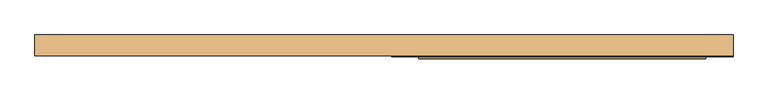
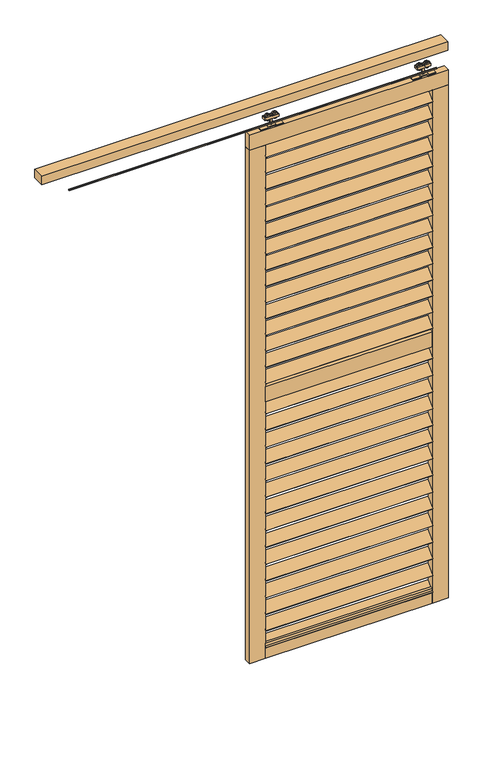
"""IFC4 building model written with IfcOpenShell, lengths in millimetres: door geometry."""

import ifcopenshell
import ifcopenshell.guid

model = None  # the IFC model being written
_history = None  # IfcOwnerHistory: only IFC2X3 demands one
_inside = {}  # id of a spatial element -> (the spatial element, [elements in it])
_under = {}  # id of a project, library or spatial element -> (it, [spatial elements below it])
_declared = {}  # id of a project -> (the project, [libraries it declares])
_typed = {}  # id of a type object -> (the type object, [elements of that type])
_made_of = {}  # id of a material, layer set ... -> (it, [elements and type objects made of it])


def new_model(schema):
    """Start an empty IFC model of exactly this schema.

    Asked for "IFC4X3", IfcOpenShell would pick the latest addendum, in which some entities
    have other attributes; the version numbers below select the first issue.
    IFC2X3 requires an IfcOwnerHistory on every rooted entity: one is made here for all.
    """
    global model, _history
    if schema == "IFC4X3":
        model = ifcopenshell.file(schema_version=(4, 3, 0, 0))
    else:
        model = ifcopenshell.file(schema=schema)
    _inside.clear()
    _under.clear()
    _declared.clear()
    _typed.clear()
    _made_of.clear()
    _history = None
    if model.schema == "IFC2X3":
        org = make("IfcOrganization", Name="unknown")
        user = make(
            "IfcPersonAndOrganization",
            ThePerson=make("IfcPerson", FamilyName="unknown"),
            TheOrganization=org,
        )
        app = make(
            "IfcApplication",
            ApplicationDeveloper=org,
            Version="unknown",
            ApplicationFullName="unknown",
            ApplicationIdentifier="unknown",
        )
        _history = make(
            "IfcOwnerHistory",
            OwningUser=user,
            OwningApplication=app,
            ChangeAction="ADDED",
            CreationDate=0,
        )
    return model


def make(cls, **values):
    """One entity of the class cls with the attributes given. An attribute that is None is left unset."""
    return model.create_entity(
        cls, **{name: value for name, value in values.items() if value is not None}
    )


def rooted(cls, **values):
    """An entity with a GlobalId (a new one), such as an element, a storey or a relation."""
    return make(cls, GlobalId=ifcopenshell.guid.new(), OwnerHistory=_history, **values)


def si_unit(unit_type, name, prefix=None):
    """IfcSIUnit, for example si_unit("LENGTHUNIT", "METRE", prefix="MILLI")."""
    return make("IfcSIUnit", UnitType=unit_type, Prefix=prefix, Name=name)


def assignment(units):
    """IfcUnitAssignment: the units of a project."""
    return None if units is None else make("IfcUnitAssignment", Units=units)


def point(xyz):
    """IfcCartesianPoint."""
    return None if xyz is None else make("IfcCartesianPoint", Coordinates=xyz)


def direction(xyz):
    """IfcDirection."""
    return None if xyz is None else make("IfcDirection", DirectionRatios=xyz)


def frame(location, z_axis=None, x_axis=None):
    """IfcAxis2Placement3D, a coordinate frame: its origin and axes. An axis left out is left unset."""
    return make(
        "IfcAxis2Placement3D",
        Location=point(location),
        Axis=direction(z_axis),
        RefDirection=direction(x_axis),
    )


def frame_2d(location, x_axis=None):
    """IfcAxis2Placement2D, a coordinate frame in the plane: its origin and x axis."""
    return make(
        "IfcAxis2Placement2D", Location=point(location), RefDirection=direction(x_axis)
    )


def origin():
    """The frame at (0, 0, 0) with its axes left unset."""
    return frame((0.0, 0.0, 0.0))


def place(relative_to, where):
    """IfcLocalPlacement: puts the frame where relative to a parent placement (None: the world)."""
    return make(
        "IfcLocalPlacement", PlacementRelTo=relative_to, RelativePlacement=where
    )


def context(
    kind, dimensions, precision=None, world=None, true_north=None, identifier=None
):
    """IfcGeometricRepresentationContext, for example the 3D "Model" context."""
    return make(
        "IfcGeometricRepresentationContext",
        ContextIdentifier=identifier,
        ContextType=kind,
        CoordinateSpaceDimension=dimensions,
        Precision=precision,
        WorldCoordinateSystem=world,
        TrueNorth=true_north,
    )


def project(units=None, contexts=None):
    """IfcProject with its units and contexts."""
    return rooted(
        "IfcProject",
        Name="project",
        RepresentationContexts=contexts,
        UnitsInContext=assignment(units),
    )


def spatial(cls, under=None, at=None, **own):
    """A site, building, storey or space (cls), placed at a placement, below another one or the project."""
    s = rooted(cls, ObjectPlacement=at, **own)
    if under is not None:
        _under.setdefault(under.id(), (under, []))[1].append(s)
    return s


def polyline(points):
    """IfcPolyline through the points."""
    return make("IfcPolyline", Points=[point(p) for p in points])


def circle_curve(where, radius):
    """IfcCircle in the frame where."""
    return make("IfcCircle", Position=where, Radius=radius)


def trimmed(basis, trim1, trim2, sense, master):
    """IfcTrimmedCurve: the piece of a basis curve between two trims."""
    return make(
        "IfcTrimmedCurve",
        BasisCurve=basis,
        Trim1=trim1,
        Trim2=trim2,
        SenseAgreement=sense,
        MasterRepresentation=master,
    )


def segment(curve, same_sense, transition):
    """IfcCompositeCurveSegment."""
    return make(
        "IfcCompositeCurveSegment",
        Transition=transition,
        SameSense=same_sense,
        ParentCurve=curve,
    )


def composite_curve(segments, self_intersect=None):
    """IfcCompositeCurve: segments joined end to end."""
    return make("IfcCompositeCurve", Segments=segments, SelfIntersect=self_intersect)


def outline(outer, holes=None, kind="AREA"):
    """IfcArbitraryClosedProfileDef: a profile drawn as a closed curve; with holes, ...WithVoids."""
    if holes is None:
        return make("IfcArbitraryClosedProfileDef", ProfileType=kind, OuterCurve=outer)
    return make(
        "IfcArbitraryProfileDefWithVoids",
        ProfileType=kind,
        OuterCurve=outer,
        InnerCurves=holes,
    )


def extrude(swept, where, along, depth):
    """IfcExtrudedAreaSolid: the profile swept, set in the frame where, extruded along a direction by depth."""
    return make(
        "IfcExtrudedAreaSolid",
        SweptArea=swept,
        Position=where,
        ExtrudedDirection=direction(along),
        Depth=depth,
    )


def shape(context_of_items, identifier, shape_type, items):
    """IfcShapeRepresentation: the items that make up one representation, for example the "Body"."""
    return make(
        "IfcShapeRepresentation",
        ContextOfItems=context_of_items,
        RepresentationIdentifier=identifier,
        RepresentationType=shape_type,
        Items=items,
    )


def source(mapping_origin, context_of_items, identifier, shape_type, items):
    """IfcRepresentationMap: a shape defined once, which mapped items show again and again."""
    return make(
        "IfcRepresentationMap",
        MappingOrigin=mapping_origin,
        MappedRepresentation=shape(context_of_items, identifier, shape_type, items),
    )


def transform(
    local_origin,
    x_axis=None,
    y_axis=None,
    z_axis=None,
    scale=None,
    scale2=None,
    scale3=None,
    uniform=True,
):
    """IfcCartesianTransformationOperator3D, or its non-uniform kind. x_axis, y_axis, z_axis: its Axis1, 2, 3."""
    if uniform:
        return make(
            "IfcCartesianTransformationOperator3D",
            Axis1=direction(x_axis),
            Axis2=direction(y_axis),
            LocalOrigin=point(local_origin),
            Scale=scale,
            Axis3=direction(z_axis),
        )
    return make(
        "IfcCartesianTransformationOperator3DnonUniform",
        Axis1=direction(x_axis),
        Axis2=direction(y_axis),
        LocalOrigin=point(local_origin),
        Scale=scale,
        Axis3=direction(z_axis),
        Scale2=scale2,
        Scale3=scale3,
    )


def mapped(mapping_source, mapping_target):
    """IfcMappedItem: shows the shape of a source again, moved by a transform."""
    return make(
        "IfcMappedItem", MappingSource=mapping_source, MappingTarget=mapping_target
    )


def made_of(thing, what):
    """Note that an element or type object is made of a material, layer set ...; save() writes the relation."""
    if what is not None:
        _made_of.setdefault(what.id(), (what, []))[1].append(thing)
    return thing


def element(
    cls,
    number,
    at=None,
    inside=None,
    cuts=None,
    type_object=None,
    material=None,
    context=None,
    identifier="Body",
    shape_type=None,
    held_by="IfcProductDefinitionShape",
    body=None,
    shapes=None,
    **own,
):
    """One element of the class cls, such as IfcWall. Its Tag is "e" and its number.

    at: its placement. inside: the storey or other place that contains it. cuts: it is an
    opening in that element (IfcRelVoidsElement). A single representation is given by context,
    identifier, shape_type and body (its items); several are given by shapes. held_by: the class
    of the entity that holds the representations. save() writes the other relations.
    """
    e = rooted(cls, Tag="e%d" % number, ObjectPlacement=at, **own)
    if body is not None:
        shapes = [shape(context, identifier, shape_type, body)]
    if shapes is not None:
        e.Representation = make(held_by, Representations=shapes)
    if inside is not None:
        _inside.setdefault(inside.id(), (inside, []))[1].append(e)
    if cuts is not None:
        rooted(
            "IfcRelVoidsElement", RelatingBuildingElement=cuts, RelatedOpeningElement=e
        )
    if type_object is not None:
        _typed.setdefault(type_object.id(), (type_object, []))[1].append(e)
    return made_of(e, material)


def aggregate(whole, parts):
    """IfcRelAggregates: a whole, such as a stair, and the parts it consists of."""
    return rooted("IfcRelAggregates", RelatingObject=whole, RelatedObjects=parts)


def save(model, path):
    """Write the relations noted so far, then the file.

    IfcRelAggregates (storeys below a building ...), IfcRelContainedInSpatialStructure (elements
    in a storey), IfcRelDefinesByType, IfcRelAssociatesMaterial and IfcRelDeclares: one each for
    every whole, place, type object, material and project.
    """
    for whole, parts in _under.values():
        aggregate(whole, parts)
    for where, things in _inside.values():
        rooted(
            "IfcRelContainedInSpatialStructure",
            RelatedElements=things,
            RelatingStructure=where,
        )
    for kind, things in _typed.values():
        rooted("IfcRelDefinesByType", RelatedObjects=things, RelatingType=kind)
    for what, things in _made_of.values():
        rooted("IfcRelAssociatesMaterial", RelatedObjects=things, RelatingMaterial=what)
    for by, libraries in _declared.values():
        rooted("IfcRelDeclares", RelatingContext=by, RelatedDefinitions=libraries)
    model.write(path)


def door_c3cc8b97(model_context):
    return source(origin(), model_context, "Body", "SweptSolid", [
        extrude(outline(polyline([(0.0, -5.0), (0.0, 0.0), (840.0, 0.0), (840.0, -5.0), (0.0, -5.0)])), frame((127.5, -24.1880102, 2621.9118868), z_axis=(0.0, 0.7071067811865482, 0.707106781186547), x_axis=(1.0, 0.0, 0.0)), (0.0, 0.0, 1.0), 60.0),
        extrude(outline(polyline([(0.0, -5.0), (0.0, 0.0), (840.0, 0.0), (840.0, -5.0), (0.0, -5.0)])), frame((127.5, -24.1880102, 2535.8047439), z_axis=(0.0, 0.7071067811865482, 0.707106781186547), x_axis=(1.0, 0.0, 0.0)), (0.0, 0.0, 1.0), 60.0),
        extrude(outline(polyline([(0.0, -5.0), (0.0, 0.0), (840.0, 0.0), (840.0, -5.0), (0.0, -5.0)])), frame((127.5, -24.1880102, 2449.697601), z_axis=(0.0, 0.7071067811865482, 0.707106781186547), x_axis=(1.0, 0.0, 0.0)), (0.0, 0.0, 1.0), 60.0),
        extrude(outline(polyline([(0.0, -5.0), (0.0, 0.0), (840.0, 0.0), (840.0, -5.0), (0.0, -5.0)])), frame((127.5, -24.1880102, 2363.5904582), z_axis=(0.0, 0.7071067811865482, 0.707106781186547), x_axis=(1.0, 0.0, 0.0)), (0.0, 0.0, 1.0), 60.0),
        extrude(outline(polyline([(0.0, -5.0), (0.0, 0.0), (840.0, 0.0), (840.0, -5.0), (0.0, -5.0)])), frame((127.5, -24.1880102, 1253.5547439), z_axis=(0.0, 0.7071067811865482, 0.707106781186547), x_axis=(1.0, 0.0, 0.0)), (0.0, 0.0, 1.0), 60.0),
        extrude(outline(polyline([(0.0, -5.0), (0.0, 0.0), (840.0, 0.0), (840.0, -5.0), (0.0, -5.0)])), frame((127.5, -24.1880102, 1164.5904582), z_axis=(0.0, 0.7071067811865482, 0.707106781186547), x_axis=(1.0, 0.0, 0.0)), (0.0, 0.0, 1.0), 60.0),
        extrude(outline(polyline([(0.0, -5.0), (0.0, 0.0), (840.0, 0.0), (840.0, -5.0), (0.0, -5.0)])), frame((127.5, -24.1880102, 1075.6261725), z_axis=(0.0, 0.7071067811865482, 0.707106781186547), x_axis=(1.0, 0.0, 0.0)), (0.0, 0.0, 1.0), 60.0),
        extrude(outline(polyline([(0.0, -5.0), (0.0, 0.0), (840.0, 0.0), (840.0, -5.0), (0.0, -5.0)])), frame((127.5, -24.1880102, 986.6618868), z_axis=(0.0, 0.7071067811865482, 0.707106781186547), x_axis=(1.0, 0.0, 0.0)), (0.0, 0.0, 1.0), 60.0),
        extrude(outline(polyline([(0.0, -5.0), (0.0, 0.0), (840.0, 0.0), (840.0, -5.0), (0.0, -5.0)])), frame((127.5, -24.1880102, 2277.4833153), z_axis=(0.0, 0.7071067811865482, 0.707106781186547), x_axis=(1.0, 0.0, 0.0)), (0.0, 0.0, 1.0), 60.0),
        extrude(outline(polyline([(0.0, -5.0), (0.0, 0.0), (840.0, 0.0), (840.0, -5.0), (0.0, -5.0)])), frame((127.5, -24.1880102, 2191.3761725), z_axis=(0.0, 0.7071067811865482, 0.707106781186547), x_axis=(1.0, 0.0, 0.0)), (0.0, 0.0, 1.0), 60.0),
        extrude(outline(polyline([(0.0, -5.0), (0.0, 0.0), (840.0, 0.0), (840.0, -5.0), (0.0, -5.0)])), frame((127.5, -24.1880102, 2105.2690296), z_axis=(0.0, 0.7071067811865482, 0.707106781186547), x_axis=(1.0, 0.0, 0.0)), (0.0, 0.0, 1.0), 60.0),
        extrude(outline(polyline([(0.0, -5.0), (0.0, 0.0), (840.0, 0.0), (840.0, -5.0), (0.0, -5.0)])), frame((127.5, -24.1880102, 2019.1618868), z_axis=(0.0, 0.7071067811865482, 0.707106781186547), x_axis=(1.0, 0.0, 0.0)), (0.0, 0.0, 1.0), 60.0),
        extrude(outline(polyline([(0.0, -5.0), (0.0, 0.0), (840.0, 0.0), (840.0, -5.0), (0.0, -5.0)])), frame((127.5, -24.1880102, 897.697601), z_axis=(0.0, 0.7071067811865482, 0.707106781186547), x_axis=(1.0, 0.0, 0.0)), (0.0, 0.0, 1.0), 60.0),
        extrude(outline(polyline([(0.0, -5.0), (0.0, 0.0), (840.0, 0.0), (840.0, -5.0), (0.0, -5.0)])), frame((127.5, -24.1880102, 808.7333153), z_axis=(0.0, 0.7071067811865482, 0.707106781186547), x_axis=(1.0, 0.0, 0.0)), (0.0, 0.0, 1.0), 60.0),
        extrude(outline(polyline([(0.0, -5.0), (0.0, 0.0), (840.0, 0.0), (840.0, -5.0), (0.0, -5.0)])), frame((127.5, -24.1880102, 719.7690296), z_axis=(0.0, 0.7071067811865482, 0.707106781186547), x_axis=(1.0, 0.0, 0.0)), (0.0, 0.0, 1.0), 60.0),
        extrude(outline(polyline([(0.0, -5.0), (0.0, 0.0), (840.0, 0.0), (840.0, -5.0), (0.0, -5.0)])), frame((127.5, -24.1880102, 630.8047439), z_axis=(0.0, 0.7071067811865482, 0.707106781186547), x_axis=(1.0, 0.0, 0.0)), (0.0, 0.0, 1.0), 60.0),
        extrude(outline(polyline([(0.0, -5.0), (0.0, 0.0), (840.0, 0.0), (840.0, -5.0), (0.0, -5.0)])), frame((127.5, -24.1880102, 1933.0547439), z_axis=(0.0, 0.7071067811865482, 0.707106781186547), x_axis=(1.0, 0.0, 0.0)), (0.0, 0.0, 1.0), 60.0),
        extrude(outline(polyline([(0.0, -5.0), (0.0, 0.0), (840.0, 0.0), (840.0, -5.0), (0.0, -5.0)])), frame((127.5, -24.1880102, 1846.947601), z_axis=(0.0, 0.7071067811865482, 0.707106781186547), x_axis=(1.0, 0.0, 0.0)), (0.0, 0.0, 1.0), 60.0),
        extrude(outline(polyline([(0.0, -5.0), (0.0, 0.0), (840.0, 0.0), (840.0, -5.0), (0.0, -5.0)])), frame((127.5, -24.1880102, 1760.8404582), z_axis=(0.0, 0.7071067811865482, 0.707106781186547), x_axis=(1.0, 0.0, 0.0)), (0.0, 0.0, 1.0), 60.0),
        extrude(outline(polyline([(0.0, -5.0), (0.0, 0.0), (840.0, 0.0), (840.0, -5.0), (0.0, -5.0)])), frame((127.5, -24.1880102, 1674.7333153), z_axis=(0.0, 0.7071067811865482, 0.707106781186547), x_axis=(1.0, 0.0, 0.0)), (0.0, 0.0, 1.0), 60.0),
        extrude(outline(polyline([(0.0, -5.0), (0.0, 0.0), (840.0, 0.0), (840.0, -5.0), (0.0, -5.0)])), frame((127.5, -24.1880102, 1588.6261725), z_axis=(0.0, 0.7071067811865482, 0.707106781186547), x_axis=(1.0, 0.0, 0.0)), (0.0, 0.0, 1.0), 60.0),
        extrude(outline(polyline([(0.0, -5.0), (0.0, 0.0), (840.0, 0.0), (840.0, -5.0), (0.0, -5.0)])), frame((127.5, -24.1880102, 2708.0190296), z_axis=(0.0, 0.7071067811865482, 0.707106781186547), x_axis=(1.0, 0.0, 0.0)), (0.0, 0.0, 1.0), 60.0),
        extrude(outline(polyline([(0.0, -5.0), (0.0, 0.0), (840.0, 0.0), (840.0, -5.0), (0.0, -5.0)])), frame((127.5, -24.1880102, 1502.5190296), z_axis=(0.0, 0.7071067811865482, 0.707106781186547), x_axis=(1.0, 0.0, 0.0)), (0.0, 0.0, 1.0), 60.0),
        extrude(outline(polyline([(0.0, -5.0), (0.0, 0.0), (840.0, 0.0), (840.0, -5.0), (0.0, -5.0)])), frame((127.5, -24.1880102, 541.8404582), z_axis=(0.0, 0.7071067811865482, 0.707106781186547), x_axis=(1.0, 0.0, 0.0)), (0.0, 0.0, 1.0), 60.0),
        extrude(outline(polyline([(0.0, -5.0), (0.0, 0.0), (840.0, 0.0), (840.0, -5.0), (0.0, -5.0)])), frame((127.5, -24.1880102, 452.8761725), z_axis=(0.0, 0.7071067811865482, 0.707106781186547), x_axis=(1.0, 0.0, 0.0)), (0.0, 0.0, 1.0), 60.0),
        extrude(outline(polyline([(0.0, -5.0), (0.0, 0.0), (840.0, 0.0), (840.0, -5.0), (0.0, -5.0)])), frame((127.5, -24.1880102, 363.9118868), z_axis=(0.0, 0.7071067811865482, 0.707106781186547), x_axis=(1.0, 0.0, 0.0)), (0.0, 0.0, 1.0), 60.0),
        extrude(outline(polyline([(0.0, -5.0), (0.0, 0.0), (840.0, 0.0), (840.0, -5.0), (0.0, -5.0)])), frame((127.5, -24.1880102, 274.947601), z_axis=(0.0, 0.7071067811865482, 0.707106781186547), x_axis=(1.0, 0.0, 0.0)), (0.0, 0.0, 1.0), 60.0),
        extrude(outline(polyline([(0.0, -5.0), (0.0, 0.0), (840.0, 0.0), (840.0, -5.0), (0.0, -5.0)])), frame((127.5, -24.1880102, 185.9833153), z_axis=(0.0, 0.7071067811865482, 0.707106781186547), x_axis=(1.0, 0.0, 0.0)), (0.0, 0.0, 1.0), 60.0),
        extrude(outline(polyline([(0.0, -5.0), (0.0, 0.0), (840.0, 0.0), (840.0, -5.0), (0.0, -5.0)])), frame((127.5, -24.1880102, 1342.5190296), z_axis=(0.0, 0.7071067811865482, 0.707106781186547), x_axis=(1.0, 0.0, 0.0)), (0.0, 0.0, 1.0), 60.0),
        extrude(outline(polyline([(0.0, -5.0), (0.0, 0.0), (840.0, 0.0), (840.0, -5.0), (0.0, -5.0)])), frame((127.5, -24.1880102, 97.0190296), z_axis=(0.0, 0.7071067811865482, 0.707106781186547), x_axis=(1.0, 0.0, 0.0)), (0.0, 0.0, 1.0), 60.0),
        extrude(outline(polyline([(967.5, -22.2425737), (127.5, -22.2425737), (127.5, 12.7574263), (967.5, 12.7574263), (967.5, -22.2425737)])), frame((0.0, 0.0, 1405.5), z_axis=(0.0, 0.0, 1.0), x_axis=(1.0, 0.0, 0.0)), (0.0, 0.0, 1.0), 80.0),
        extrude(outline(polyline([(967.5, -22.2425737), (127.5, -22.2425737), (127.5, 12.7574263), (967.5, 12.7574263), (967.5, -22.2425737)])), frame((0.0, 0.0, 40.0), z_axis=(0.0, 0.0, 1.0), x_axis=(1.0, 0.0, 0.0)), (0.0, 0.0, 1.0), 80.0),
        extrude(outline(polyline([(1047.5, -22.2425737), (47.5, -22.2425737), (47.5, 12.7574263), (1047.5, 12.7574263), (1047.5, -22.2425737)])), frame((0.0, 0.0, 2771.0), z_axis=(0.0, 0.0, 1.0), x_axis=(1.0, 0.0, 0.0)), (0.0, 0.0, 1.0), 80.0),
        extrude(outline(polyline([(127.5, -22.2425737), (47.5, -22.2425737), (47.5, 12.7574263), (127.5, 12.7574263), (127.5, -22.2425737)])), frame((0.0, 0.0, 40.0), z_axis=(0.0, 0.0, 1.0), x_axis=(1.0, 0.0, 0.0)), (0.0, 0.0, 1.0), 2731.0),
        extrude(outline(polyline([(1047.5, -22.2425737), (967.5, -22.2425737), (967.5, 12.7574263), (1047.5, 12.7574263), (1047.5, -22.2425737)])), frame((0.0, 0.0, 40.0), z_axis=(0.0, 0.0, 1.0), x_axis=(1.0, 0.0, 0.0)), (0.0, 0.0, 1.0), 2731.0),
        extrude(outline(composite_curve([segment(trimmed(circle_curve(frame_2d((2904.430297, 145.75)), 13.5), [point((2904.430297, 132.25))], [point((2904.430297, 159.25))], False, "CARTESIAN"), True, "CONTINUOUS"), segment(trimmed(circle_curve(frame_2d((2904.430297, 145.75)), 13.5), [point((2904.430297, 159.25))], [point((2904.430297, 132.25))], False, "CARTESIAN"), True, "CONTINUOUS")], self_intersect=False)), frame((0.0, -13.9509888, 0.0), z_axis=(0.0, 1.0, 0.0), x_axis=(0.0, 0.0, 1.0)), (0.0, 0.0, 1.0), 5.2084151),
        extrude(outline(composite_curve([segment(trimmed(circle_curve(frame_2d((2904.430297, 183.25)), 13.5), [point((2904.430297, 196.75))], [point((2904.430297, 169.75))], False, "CARTESIAN"), True, "CONTINUOUS"), segment(trimmed(circle_curve(frame_2d((2904.430297, 183.25)), 13.5), [point((2904.430297, 169.75))], [point((2904.430297, 196.75))], False, "CARTESIAN"), True, "CONTINUOUS")], self_intersect=False)), frame((0.0, -13.9509888, 0.0), z_axis=(0.0, 1.0, 0.0), x_axis=(0.0, 0.0, 1.0)), (0.0, 0.0, 1.0), 5.2084151),
        extrude(outline(composite_curve([segment(trimmed(circle_curve(frame_2d((2904.430297, 145.75)), 13.5), [point((2904.430297, 132.25))], [point((2904.430297, 159.25))], False, "CARTESIAN"), True, "CONTINUOUS"), segment(trimmed(circle_curve(frame_2d((2904.430297, 145.75)), 13.5), [point((2904.430297, 159.25))], [point((2904.430297, 132.25))], False, "CARTESIAN"), True, "CONTINUOUS")], self_intersect=False)), frame((0.0, -0.7425737, 0.0), z_axis=(0.0, 1.0, 0.0), x_axis=(0.0, 0.0, 1.0)), (0.0, 0.0, 1.0), 5.0880554),
        extrude(outline(composite_curve([segment(trimmed(circle_curve(frame_2d((2904.430297, 183.25)), 13.5), [point((2904.430297, 196.75))], [point((2904.430297, 169.75))], False, "CARTESIAN"), True, "CONTINUOUS"), segment(trimmed(circle_curve(frame_2d((2904.430297, 183.25)), 13.5), [point((2904.430297, 169.75))], [point((2904.430297, 196.75))], False, "CARTESIAN"), True, "CONTINUOUS")], self_intersect=False)), frame((0.0, -0.7425737, 0.0), z_axis=(0.0, 1.0, 0.0), x_axis=(0.0, 0.0, 1.0)), (0.0, 0.0, 1.0), 5.0880554),
        extrude(outline(polyline([(129.5, -15.2425737), (129.5, 5.7574263), (199.5, 5.7574263), (199.5, -15.2425737), (129.5, -15.2425737)])), frame((0.0, 0.0, 2896.5), z_axis=(0.0, 0.0, 1.0), x_axis=(1.0, 0.0, 0.0)), (0.0, 0.0, 1.0), 13.0),
        extrude(outline(polyline([(160.5, -8.7425737), (160.5, -0.7425737), (168.5, -0.7425737), (168.5, -8.7425737), (160.5, -8.7425737)])), frame((0.0, 0.0, 2855.0), z_axis=(0.0, 0.0, 1.0), x_axis=(1.0, 0.0, 0.0)), (0.0, 0.0, 1.0), 56.0),
        extrude(outline(polyline([(2855.0, 221.5), (2855.0, 183.5), (2861.0, 183.5), (2861.0, 145.5), (2855.0, 145.5), (2855.0, 107.5), (2851.0, 107.5), (2851.0, 149.5), (2857.0, 149.5), (2857.0, 179.5), (2851.0, 179.5), (2851.0, 221.5), (2855.0, 221.5)])), frame((0.0, -17.7425737, 0.0), z_axis=(0.0, 1.0, 0.0), x_axis=(0.0, 0.0, 1.0)), (0.0, 0.0, 1.0), 26.0),
        extrude(outline(composite_curve([segment(trimmed(circle_curve(frame_2d((2904.430297, 949.25)), 13.5), [point((2904.430297, 962.75))], [point((2904.430297, 935.75))], False, "CARTESIAN"), True, "CONTINUOUS"), segment(trimmed(circle_curve(frame_2d((2904.430297, 949.25)), 13.5), [point((2904.430297, 935.75))], [point((2904.430297, 962.75))], False, "CARTESIAN"), True, "CONTINUOUS")], self_intersect=False)), frame((0.0, -13.9509888, 0.0), z_axis=(0.0, 1.0, 0.0), x_axis=(0.0, 0.0, 1.0)), (0.0, 0.0, 1.0), 5.2084151),
        extrude(outline(composite_curve([segment(trimmed(circle_curve(frame_2d((2904.430297, 911.75)), 13.5), [point((2904.430297, 898.25))], [point((2904.430297, 925.25))], False, "CARTESIAN"), True, "CONTINUOUS"), segment(trimmed(circle_curve(frame_2d((2904.430297, 911.75)), 13.5), [point((2904.430297, 925.25))], [point((2904.430297, 898.25))], False, "CARTESIAN"), True, "CONTINUOUS")], self_intersect=False)), frame((0.0, -13.9509888, 0.0), z_axis=(0.0, 1.0, 0.0), x_axis=(0.0, 0.0, 1.0)), (0.0, 0.0, 1.0), 5.2084151),
        extrude(outline(composite_curve([segment(trimmed(circle_curve(frame_2d((2904.430297, 949.25)), 13.5), [point((2904.430297, 962.75))], [point((2904.430297, 935.75))], False, "CARTESIAN"), True, "CONTINUOUS"), segment(trimmed(circle_curve(frame_2d((2904.430297, 949.25)), 13.5), [point((2904.430297, 935.75))], [point((2904.430297, 962.75))], False, "CARTESIAN"), True, "CONTINUOUS")], self_intersect=False)), frame((0.0, -0.7425737, 0.0), z_axis=(0.0, 1.0, 0.0), x_axis=(0.0, 0.0, 1.0)), (0.0, 0.0, 1.0), 5.0880554),
        extrude(outline(composite_curve([segment(trimmed(circle_curve(frame_2d((2904.430297, 911.75)), 13.5), [point((2904.430297, 898.25))], [point((2904.430297, 925.25))], False, "CARTESIAN"), True, "CONTINUOUS"), segment(trimmed(circle_curve(frame_2d((2904.430297, 911.75)), 13.5), [point((2904.430297, 925.25))], [point((2904.430297, 898.25))], False, "CARTESIAN"), True, "CONTINUOUS")], self_intersect=False)), frame((0.0, -0.7425737, 0.0), z_axis=(0.0, 1.0, 0.0), x_axis=(0.0, 0.0, 1.0)), (0.0, 0.0, 1.0), 5.0880554),
        extrude(outline(polyline([(965.5, -15.2425737), (895.5, -15.2425737), (895.5, 5.7574263), (965.5, 5.7574263), (965.5, -15.2425737)])), frame((0.0, 0.0, 2896.5), z_axis=(0.0, 0.0, 1.0), x_axis=(1.0, 0.0, 0.0)), (0.0, 0.0, 1.0), 13.0),
        extrude(outline(polyline([(934.5, -8.7425737), (926.5, -8.7425737), (926.5, -0.7425737), (934.5, -0.7425737), (934.5, -8.7425737)])), frame((0.0, 0.0, 2855.0), z_axis=(0.0, 0.0, 1.0), x_axis=(1.0, 0.0, 0.0)), (0.0, 0.0, 1.0), 56.0),
        extrude(outline(polyline([(2855.0, 873.5), (2851.0, 873.5), (2851.0, 915.5), (2857.0, 915.5), (2857.0, 945.5), (2851.0, 945.5), (2851.0, 987.5), (2855.0, 987.5), (2855.0, 949.5), (2861.0, 949.5), (2861.0, 911.5), (2855.0, 911.5), (2855.0, 873.5)])), frame((0.0, -17.7425737, 0.0), z_axis=(0.0, 1.0, 0.0), x_axis=(0.0, 0.0, 1.0)), (0.0, 0.0, 1.0), 26.0),
        extrude(outline(polyline([(995.5, -14.7394005), (-857.5, -14.7394005), (-857.5, -10.9693523), (995.5, -10.9693523), (995.5, -14.7394005)])), frame((0.0, 0.0, 2868.3008197), z_axis=(0.0, 0.0, 1.0), x_axis=(1.0, 0.0, 0.0)), (0.0, 0.0, 1.0), 6.6991803),
        extrude(outline(polyline([(1047.5, 42.0), (1047.5, -19.7), (-997.5, -19.7), (-997.5, 42.0), (1047.5, 42.0)])), frame((0.0, 0.0, 2952.0), z_axis=(0.0, 0.0, 1.0), x_axis=(1.0, 0.0, 0.0)), (0.0, 0.0, 1.0), 45.0),
    ])


if __name__ == "__main__":
    model = new_model("IFC4")
    model_context = context("Model", 3, world=origin())
    ifc_project = project(units=[si_unit("LENGTHUNIT", "METRE", prefix="MILLI")], contexts=[model_context])
    site = spatial("IfcSite", under=ifc_project)
    building = spatial("IfcBuilding", under=site)
    placement = place(None, origin())
    door_shape = door_c3cc8b97(model_context)
    element("IfcDoor", 1, at=placement, inside=building, context=model_context, shape_type="MappedRepresentation", body=[
        mapped(door_shape, transform((0.0, 0.0, 0.0), x_axis=(1.0, 0.0, 0.0), y_axis=(0.0, 1.0, 0.0), z_axis=(0.0, 0.0, 1.0))),
    ])
    save(model, "model.ifc")
